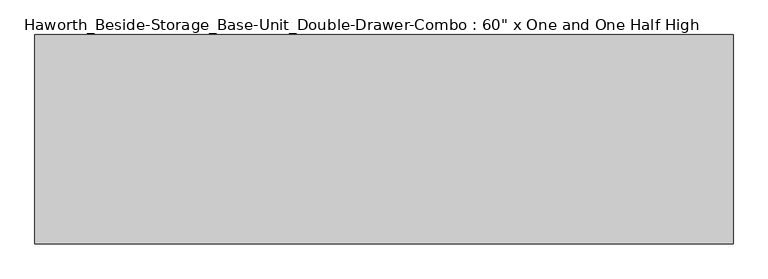
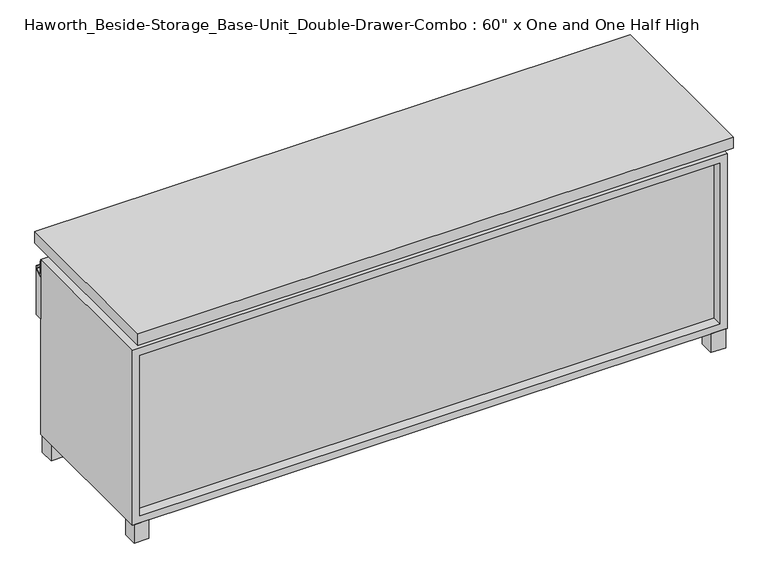
"""IFC4 building model written with IfcOpenShell, lengths in millimetres: furniture geometry."""

from ifc_helpers import new_model, si_unit, point, frame, frame_2d, origin, origin_with_axes, place, context, project, spatial, polyline, circle_curve, trimmed, segment, composite_curve, outline, extrude, source, transform, mapped, element, save


def furniture_045fea74(model_context):
    return source(origin(), model_context, "Body", "SweptSolid", [
        extrude(outline(composite_curve([segment(polyline([(139.7, 477.04375), (139.7, 519.1125)]), True, "CONTINUOUS"), segment(trimmed(circle_curve(frame_2d((140.49375, 519.1125)), 0.79375), [point((139.7, 519.1125))], [point((141.2875, 519.1125))], False, "CARTESIAN"), True, "CONTINUOUS"), segment(polyline([(141.2875, 519.1125), (141.2875, 485.3354387)]), True, "CONTINUOUS"), segment(trimmed(circle_curve(frame_2d((144.4625, 485.3354387)), 3.175), [point((141.2875, 485.3354387))], [point((146.0622905, 482.5929407))], True, "CARTESIAN"), True, "CONTINUOUS"), segment(polyline([(146.0622905, 482.5929407), (157.9501047, 489.527499)]), True, "CONTINUOUS"), segment(trimmed(circle_curve(frame_2d((157.5501571, 490.2131235)), 0.79375), [point((157.9501047, 489.527499))], [point((158.3439071, 490.2131235))], True, "CARTESIAN"), True, "CONTINUOUS"), segment(polyline([(158.3439071, 490.2131235), (158.3439071, 495.3)]), True, "CONTINUOUS"), segment(trimmed(circle_curve(frame_2d((159.1376571, 495.3)), 0.79375), [point((158.3439071, 495.3))], [point((159.9314071, 495.3))], False, "CARTESIAN"), True, "CONTINUOUS"), segment(polyline([(159.9314071, 495.3), (159.9314071, 490.2131235)]), True, "CONTINUOUS"), segment(trimmed(circle_curve(frame_2d((157.5501571, 490.2131235)), 2.38125), [point((159.9314071, 490.2131235))], [point((158.75, 488.15625))], False, "CARTESIAN"), True, "CONTINUOUS"), segment(polyline([(158.75, 488.15625), (139.7, 477.04375)]), True, "CONTINUOUS")], self_intersect=False)), frame((-761.9861094, 0.0, 0.0), z_axis=(1.0, 0.0, 0.0), x_axis=(0.0, 1.0, 0.0)), (0.0, 0.0, 1.0), 771.525),
        extrude(outline(polyline([(139.7, 363.5375), (139.7, 477.04375), (158.75, 488.15625), (158.75, 363.5375), (139.7, 363.5375)])), frame((-761.9861094, 0.0, 0.0), z_axis=(1.0, 0.0, 0.0), x_axis=(0.0, 1.0, 0.0)), (0.0, 0.0, 1.0), 771.525),
        extrude(outline(polyline([(742.9569453, -234.95), (9.5319453, -234.95), (9.5319453, 136.525), (742.9569453, 136.525), (742.9569453, -234.95)])), frame((0.0, 0.0, 277.8125), z_axis=(0.0, 0.0, 1.0), x_axis=(1.0, 0.0, 0.0)), (0.0, 0.0, 1.0), 19.05),
        extrude(outline(polyline([(-19.0361094, -95.25), (-19.0361094, -57.15), (19.0638906, -57.15), (19.0638906, -95.25), (-19.0361094, -95.25)])), origin_with_axes(), (0.0, 0.0, 1.0), 50.8),
        extrude(outline(polyline([(762.0138906, -292.1), (-761.9861094, -292.1), (-761.9861094, 165.1), (762.0138906, 165.1), (762.0138906, -292.1)])), frame((0.0, 0.0, 554.0375), z_axis=(0.0, 0.0, 1.0), x_axis=(1.0, 0.0, 0.0)), (0.0, 0.0, 1.0), 30.1625),
        extrude(outline(polyline([(719.1513906, 101.6), (719.1513906, 139.7), (757.2513906, 139.7), (757.2513906, 101.6), (719.1513906, 101.6)])), origin_with_axes(), (0.0, 0.0, 1.0), 50.8),
        extrude(outline(polyline([(719.1513906, -228.6), (757.2513906, -228.6), (757.2513906, -266.7), (719.1513906, -266.7), (719.1513906, -228.6)])), origin_with_axes(), (0.0, 0.0, 1.0), 50.8),
        extrude(outline(polyline([(-719.1236094, 101.6), (-757.2236094, 101.6), (-757.2236094, 139.7), (-719.1236094, 139.7), (-719.1236094, 101.6)])), origin_with_axes(), (0.0, 0.0, 1.0), 50.8),
        extrude(outline(polyline([(-719.1236094, -228.6), (-719.1236094, -266.7), (-757.2236094, -266.7), (-757.2236094, -228.6), (-719.1236094, -228.6)])), origin_with_axes(), (0.0, 0.0, 1.0), 50.8),
        extrude(outline(polyline([(-736.5791641, 133.35), (-720.7041641, 133.35), (-720.7041641, -53.975), (-7.9236094, -53.975), (-7.9236094, 120.65), (7.9513906, 120.65), (7.9513906, -53.975), (720.7111094, -53.975), (720.7111094, 120.65), (736.5861094, 120.65), (736.5861094, -247.65), (720.7111094, -247.65), (720.7111094, -73.025), (7.9513906, -73.025), (7.9513906, -247.65), (-7.9236094, -247.65), (-7.9236094, -73.025), (-720.7041641, -73.025), (-720.7041641, -234.95), (-736.5791641, -234.95), (-736.5791641, 133.35)])), frame((0.0, 0.0, 523.875), z_axis=(0.0, 0.0, 1.0), x_axis=(1.0, 0.0, 0.0)), (0.0, 0.0, 1.0), 30.1625),
        extrude(outline(polyline([(9.5388906, -234.95), (-9.5111094, -234.95), (-9.5111094, 139.7), (9.5388906, 139.7), (9.5388906, -234.95)])), frame((0.0, 0.0, 69.85), z_axis=(0.0, 0.0, 1.0), x_axis=(1.0, 0.0, 0.0)), (0.0, 0.0, 1.0), 434.975),
        extrude(outline(polyline([(50.8, -761.9861094), (50.8, 762.0), (523.875, 762.0), (523.875, -761.9861094), (50.8, -761.9861094)]), holes=[polyline([(69.85, -742.9361094), (504.825, -742.9361094), (504.825, 742.9361094), (69.85, 742.9361094), (69.85, -742.9361094)])]), frame((0.0, -266.7, 0.0), z_axis=(0.0, 1.0, 0.0), x_axis=(0.0, 0.0, 1.0)), (0.0, 0.0, 1.0), 406.4),
        extrude(outline(polyline([(-742.9291641, -234.95), (742.9569453, -234.95), (742.9569453, -241.3), (-742.9291641, -241.3), (-742.9291641, -234.95)])), frame((0.0, 0.0, 69.85), z_axis=(0.0, 0.0, 1.0), x_axis=(1.0, 0.0, 0.0)), (0.0, 0.0, 1.0), 434.975),
    ])


if __name__ == "__main__":
    model = new_model("IFC4")
    model_context = context("Model", 3, world=origin())
    ifc_project = project(units=[si_unit("LENGTHUNIT", "METRE", prefix="MILLI")], contexts=[model_context])
    site = spatial("IfcSite", under=ifc_project)
    building = spatial("IfcBuilding", under=site)
    placement = place(None, origin())
    furniture_shape = furniture_045fea74(model_context)
    element("IfcFurniture", 1, ObjectType="Haworth_Beside-Storage_Base-Unit_Double-Drawer-Combo : 60\" x One and One Half High", at=placement, inside=building, context=model_context, shape_type="MappedRepresentation", body=[
        mapped(furniture_shape, transform((0.0, 0.0, 0.0), x_axis=(1.0, 0.0, 0.0), y_axis=(0.0, 1.0, 0.0), z_axis=(0.0, 0.0, 1.0))),
    ])
    save(model, "model.ifc")
